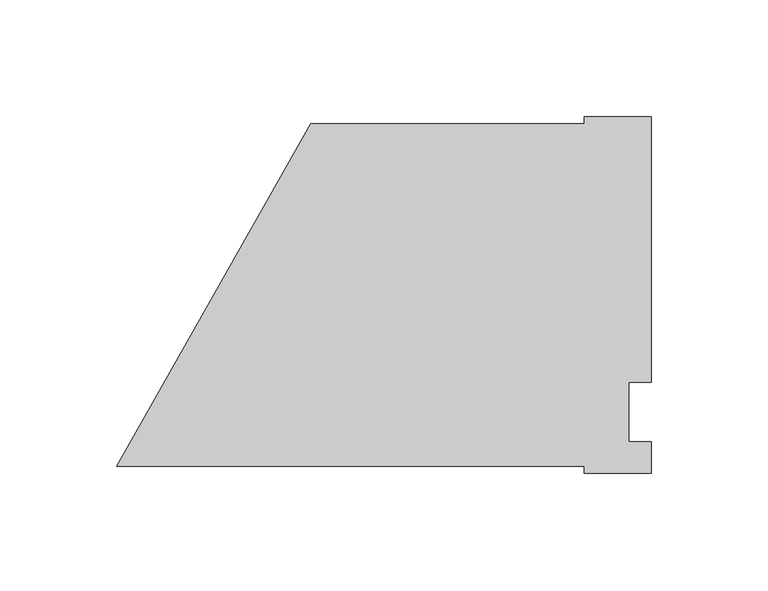
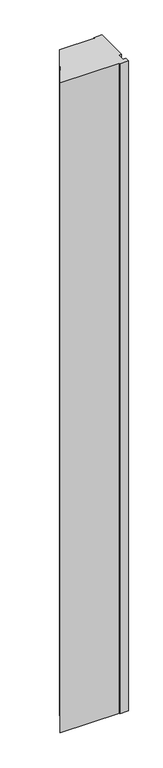
"""IFC4 building model written with IfcOpenShell, lengths in millimetres: proxy geometry."""

from ifc_helpers import new_model, si_unit, frame, origin, place, context, project, spatial, polyline, outline, extrude, source, transform, mapped, element, save


def specialty_equipment_6720a4ac(model_context):
    return source(origin(), model_context, "Body", "SweptSolid", [
        extrude(outline(polyline([(228.6, -26.19375), (199.9581978, -26.19375), (199.9581978, -23.33625), (0.0, -23.33625), (82.99038, 123.34875), (200.0711005, 123.34875), (200.0711005, 126.20625), (228.6, 126.20625), (228.6, 12.7), (219.075, 12.7), (219.075, -12.7), (228.6, -12.7), (228.6, -26.19375)])), frame((0.0, 0.0, 63.5), z_axis=(0.0, 0.0, 1.0), x_axis=(1.0, 0.0, 0.0)), (0.0, 0.0, 1.0), 2324.1),
    ])


if __name__ == "__main__":
    model = new_model("IFC4")
    model_context = context("Model", 3, world=origin())
    ifc_project = project(units=[si_unit("LENGTHUNIT", "METRE", prefix="MILLI")], contexts=[model_context])
    site = spatial("IfcSite", under=ifc_project)
    building = spatial("IfcBuilding", under=site)
    placement = place(None, origin())
    specialty_equipment_shape = specialty_equipment_6720a4ac(model_context)
    element("IfcBuildingElementProxy", 1, Name="Specialty Equipment", at=placement, inside=building, context=model_context, shape_type="MappedRepresentation", body=[
        mapped(specialty_equipment_shape, transform((0.0, 0.0, 0.0), x_axis=(1.0, 0.0, 0.0), y_axis=(0.0, 1.0, 0.0), z_axis=(0.0, 0.0, 1.0))),
    ])
    save(model, "model.ifc")
